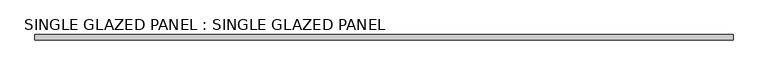
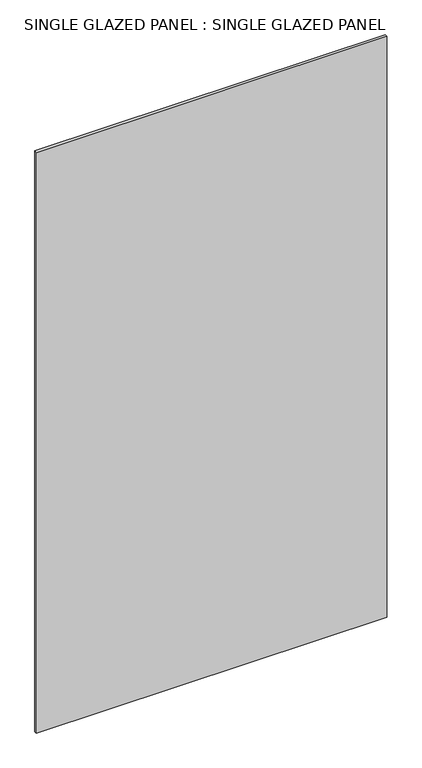
"""IFC4 building model written with IfcOpenShell, lengths in millimetres: plate geometry, SINGLE GLAZED PANEL : SINGLE GLAZED PANEL."""

import ifcopenshell
import ifcopenshell.guid

model = None  # the IFC model being written
_history = None  # IfcOwnerHistory: only IFC2X3 demands one
_inside = {}  # id of a spatial element -> (the spatial element, [elements in it])
_under = {}  # id of a project, library or spatial element -> (it, [spatial elements below it])
_declared = {}  # id of a project -> (the project, [libraries it declares])
_typed = {}  # id of a type object -> (the type object, [elements of that type])
_made_of = {}  # id of a material, layer set ... -> (it, [elements and type objects made of it])


def new_model(schema):
    """Start an empty IFC model of exactly this schema.

    Asked for "IFC4X3", IfcOpenShell would pick the latest addendum, in which some entities
    have other attributes; the version numbers below select the first issue.
    IFC2X3 requires an IfcOwnerHistory on every rooted entity: one is made here for all.
    """
    global model, _history
    if schema == "IFC4X3":
        model = ifcopenshell.file(schema_version=(4, 3, 0, 0))
    else:
        model = ifcopenshell.file(schema=schema)
    _inside.clear()
    _under.clear()
    _declared.clear()
    _typed.clear()
    _made_of.clear()
    _history = None
    if model.schema == "IFC2X3":
        org = make("IfcOrganization", Name="unknown")
        user = make(
            "IfcPersonAndOrganization",
            ThePerson=make("IfcPerson", FamilyName="unknown"),
            TheOrganization=org,
        )
        app = make(
            "IfcApplication",
            ApplicationDeveloper=org,
            Version="unknown",
            ApplicationFullName="unknown",
            ApplicationIdentifier="unknown",
        )
        _history = make(
            "IfcOwnerHistory",
            OwningUser=user,
            OwningApplication=app,
            ChangeAction="ADDED",
            CreationDate=0,
        )
    return model


def make(cls, **values):
    """One entity of the class cls with the attributes given. An attribute that is None is left unset."""
    return model.create_entity(
        cls, **{name: value for name, value in values.items() if value is not None}
    )


def rooted(cls, **values):
    """An entity with a GlobalId (a new one), such as an element, a storey or a relation."""
    return make(cls, GlobalId=ifcopenshell.guid.new(), OwnerHistory=_history, **values)


def si_unit(unit_type, name, prefix=None):
    """IfcSIUnit, for example si_unit("LENGTHUNIT", "METRE", prefix="MILLI")."""
    return make("IfcSIUnit", UnitType=unit_type, Prefix=prefix, Name=name)


def assignment(units):
    """IfcUnitAssignment: the units of a project."""
    return None if units is None else make("IfcUnitAssignment", Units=units)


def point(xyz):
    """IfcCartesianPoint."""
    return None if xyz is None else make("IfcCartesianPoint", Coordinates=xyz)


def direction(xyz):
    """IfcDirection."""
    return None if xyz is None else make("IfcDirection", DirectionRatios=xyz)


def frame(location, z_axis=None, x_axis=None):
    """IfcAxis2Placement3D, a coordinate frame: its origin and axes. An axis left out is left unset."""
    return make(
        "IfcAxis2Placement3D",
        Location=point(location),
        Axis=direction(z_axis),
        RefDirection=direction(x_axis),
    )


def origin():
    """The frame at (0, 0, 0) with its axes left unset."""
    return frame((0.0, 0.0, 0.0))


def origin_with_axes():
    """The frame at (0, 0, 0) with the z axis (0, 0, 1) and the x axis (1, 0, 0) written out."""
    return frame((0.0, 0.0, 0.0), z_axis=(0.0, 0.0, 1.0), x_axis=(1.0, 0.0, 0.0))


def place(relative_to, where):
    """IfcLocalPlacement: puts the frame where relative to a parent placement (None: the world)."""
    return make(
        "IfcLocalPlacement", PlacementRelTo=relative_to, RelativePlacement=where
    )


def context(
    kind, dimensions, precision=None, world=None, true_north=None, identifier=None
):
    """IfcGeometricRepresentationContext, for example the 3D "Model" context."""
    return make(
        "IfcGeometricRepresentationContext",
        ContextIdentifier=identifier,
        ContextType=kind,
        CoordinateSpaceDimension=dimensions,
        Precision=precision,
        WorldCoordinateSystem=world,
        TrueNorth=true_north,
    )


def project(units=None, contexts=None):
    """IfcProject with its units and contexts."""
    return rooted(
        "IfcProject",
        Name="project",
        RepresentationContexts=contexts,
        UnitsInContext=assignment(units),
    )


def spatial(cls, under=None, at=None, **own):
    """A site, building, storey or space (cls), placed at a placement, below another one or the project."""
    s = rooted(cls, ObjectPlacement=at, **own)
    if under is not None:
        _under.setdefault(under.id(), (under, []))[1].append(s)
    return s


def polyline(points):
    """IfcPolyline through the points."""
    return make("IfcPolyline", Points=[point(p) for p in points])


def outline(outer, holes=None, kind="AREA"):
    """IfcArbitraryClosedProfileDef: a profile drawn as a closed curve; with holes, ...WithVoids."""
    if holes is None:
        return make("IfcArbitraryClosedProfileDef", ProfileType=kind, OuterCurve=outer)
    return make(
        "IfcArbitraryProfileDefWithVoids",
        ProfileType=kind,
        OuterCurve=outer,
        InnerCurves=holes,
    )


def extrude(swept, where, along, depth):
    """IfcExtrudedAreaSolid: the profile swept, set in the frame where, extruded along a direction by depth."""
    return make(
        "IfcExtrudedAreaSolid",
        SweptArea=swept,
        Position=where,
        ExtrudedDirection=direction(along),
        Depth=depth,
    )


def shape(context_of_items, identifier, shape_type, items):
    """IfcShapeRepresentation: the items that make up one representation, for example the "Body"."""
    return make(
        "IfcShapeRepresentation",
        ContextOfItems=context_of_items,
        RepresentationIdentifier=identifier,
        RepresentationType=shape_type,
        Items=items,
    )


def source(mapping_origin, context_of_items, identifier, shape_type, items):
    """IfcRepresentationMap: a shape defined once, which mapped items show again and again."""
    return make(
        "IfcRepresentationMap",
        MappingOrigin=mapping_origin,
        MappedRepresentation=shape(context_of_items, identifier, shape_type, items),
    )


def transform(
    local_origin,
    x_axis=None,
    y_axis=None,
    z_axis=None,
    scale=None,
    scale2=None,
    scale3=None,
    uniform=True,
):
    """IfcCartesianTransformationOperator3D, or its non-uniform kind. x_axis, y_axis, z_axis: its Axis1, 2, 3."""
    if uniform:
        return make(
            "IfcCartesianTransformationOperator3D",
            Axis1=direction(x_axis),
            Axis2=direction(y_axis),
            LocalOrigin=point(local_origin),
            Scale=scale,
            Axis3=direction(z_axis),
        )
    return make(
        "IfcCartesianTransformationOperator3DnonUniform",
        Axis1=direction(x_axis),
        Axis2=direction(y_axis),
        LocalOrigin=point(local_origin),
        Scale=scale,
        Axis3=direction(z_axis),
        Scale2=scale2,
        Scale3=scale3,
    )


def mapped(mapping_source, mapping_target):
    """IfcMappedItem: shows the shape of a source again, moved by a transform."""
    return make(
        "IfcMappedItem", MappingSource=mapping_source, MappingTarget=mapping_target
    )


def made_of(thing, what):
    """Note that an element or type object is made of a material, layer set ...; save() writes the relation."""
    if what is not None:
        _made_of.setdefault(what.id(), (what, []))[1].append(thing)
    return thing


def element(
    cls,
    number,
    at=None,
    inside=None,
    cuts=None,
    type_object=None,
    material=None,
    context=None,
    identifier="Body",
    shape_type=None,
    held_by="IfcProductDefinitionShape",
    body=None,
    shapes=None,
    **own,
):
    """One element of the class cls, such as IfcWall. Its Tag is "e" and its number.

    at: its placement. inside: the storey or other place that contains it. cuts: it is an
    opening in that element (IfcRelVoidsElement). A single representation is given by context,
    identifier, shape_type and body (its items); several are given by shapes. held_by: the class
    of the entity that holds the representations. save() writes the other relations.
    """
    e = rooted(cls, Tag="e%d" % number, ObjectPlacement=at, **own)
    if body is not None:
        shapes = [shape(context, identifier, shape_type, body)]
    if shapes is not None:
        e.Representation = make(held_by, Representations=shapes)
    if inside is not None:
        _inside.setdefault(inside.id(), (inside, []))[1].append(e)
    if cuts is not None:
        rooted(
            "IfcRelVoidsElement", RelatingBuildingElement=cuts, RelatedOpeningElement=e
        )
    if type_object is not None:
        _typed.setdefault(type_object.id(), (type_object, []))[1].append(e)
    return made_of(e, material)


def aggregate(whole, parts):
    """IfcRelAggregates: a whole, such as a stair, and the parts it consists of."""
    return rooted("IfcRelAggregates", RelatingObject=whole, RelatedObjects=parts)


def save(model, path):
    """Write the relations noted so far, then the file.

    IfcRelAggregates (storeys below a building ...), IfcRelContainedInSpatialStructure (elements
    in a storey), IfcRelDefinesByType, IfcRelAssociatesMaterial and IfcRelDeclares: one each for
    every whole, place, type object, material and project.
    """
    for whole, parts in _under.values():
        aggregate(whole, parts)
    for where, things in _inside.values():
        rooted(
            "IfcRelContainedInSpatialStructure",
            RelatedElements=things,
            RelatingStructure=where,
        )
    for kind, things in _typed.values():
        rooted("IfcRelDefinesByType", RelatedObjects=things, RelatingType=kind)
    for what, things in _made_of.values():
        rooted("IfcRelAssociatesMaterial", RelatedObjects=things, RelatingMaterial=what)
    for by, libraries in _declared.values():
        rooted("IfcRelDeclares", RelatingContext=by, RelatedDefinitions=libraries)
    model.write(path)


def single_glazed_panel_single_glazed_panel_221679e3(model_context):
    return source(origin(), model_context, "Body", "SweptSolid", [
        extrude(outline(polyline([(847.725, 6.35), (847.725, -6.35), (-847.725, -6.35), (-847.725, 6.35), (847.725, 6.35)])), origin_with_axes(), (0.0, 0.0, 1.0), 2968.625),
    ])


if __name__ == "__main__":
    model = new_model("IFC4")
    model_context = context("Model", 3, world=origin())
    ifc_project = project(units=[si_unit("LENGTHUNIT", "METRE", prefix="MILLI")], contexts=[model_context])
    site = spatial("IfcSite", under=ifc_project)
    building = spatial("IfcBuilding", under=site)
    placement = place(None, origin())
    single_glazed_panel_single_glazed_panel_shape = single_glazed_panel_single_glazed_panel_221679e3(model_context)
    element("IfcPlate", 1, ObjectType="SINGLE GLAZED PANEL : SINGLE GLAZED PANEL", at=placement, inside=building, context=model_context, shape_type="MappedRepresentation", body=[
        mapped(single_glazed_panel_single_glazed_panel_shape, transform((0.0, 0.0, 0.0), x_axis=(1.0, 0.0, 0.0), y_axis=(0.0, 1.0, 0.0), z_axis=(0.0, 0.0, 1.0))),
    ])
    save(model, "model.ifc")
